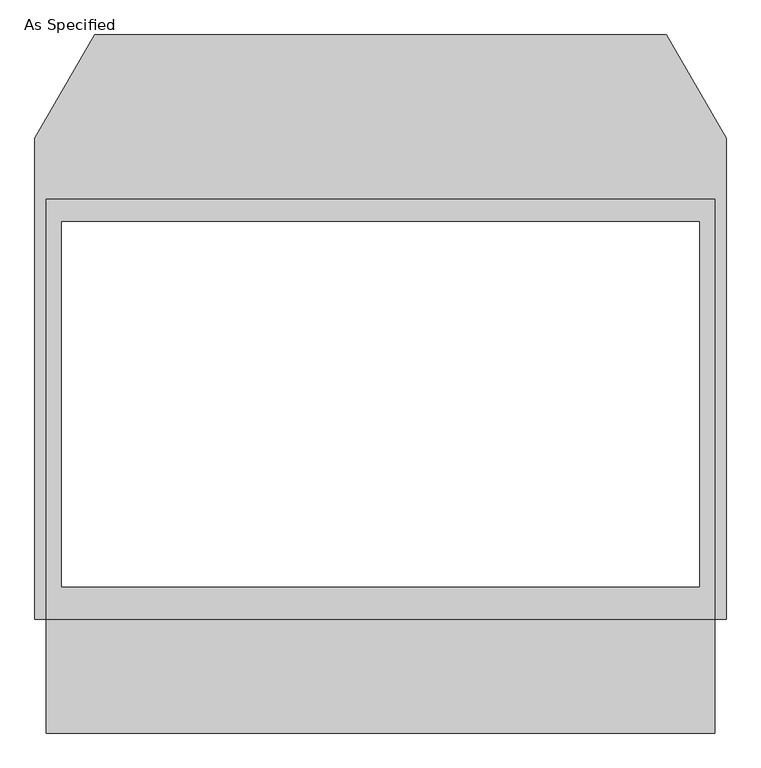
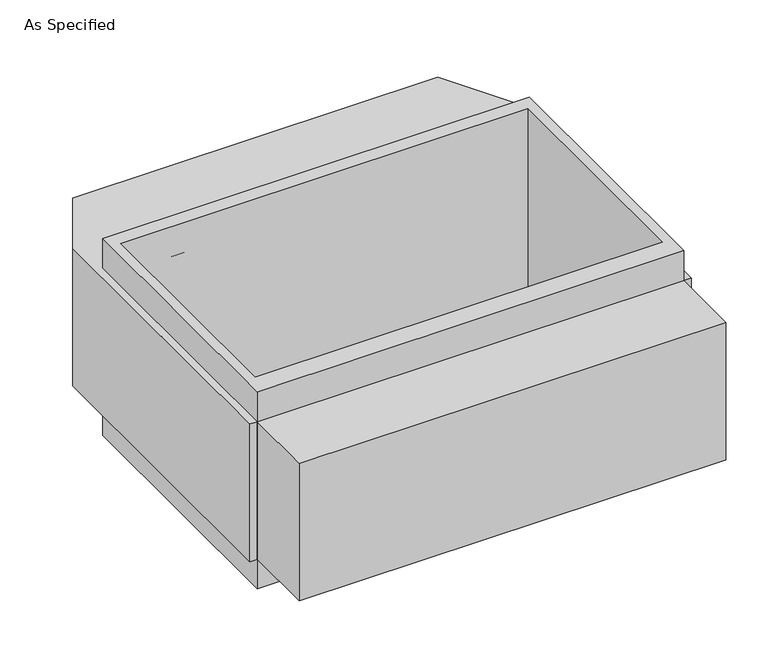
"""IFC4 building model written with IfcOpenShell, lengths in millimetres: proxy geometry, As Specified."""

from ifc_helpers import new_model, si_unit, frame, origin, place, context, project, spatial, polyline, outline, extrude, source, transform, mapped, element, save


def as_specified_9fdf9aed(model_context):
    return source(origin(), model_context, "Body", "SweptSolid", [
        extrude(outline(polyline([(1117.6, 617.8351562), (1117.6, -785.5148438), (-1117.6, -785.5148438), (-1117.6, 617.8351562), (1117.6, 617.8351562)]), holes=[polyline([(-1066.8, 541.6748437), (-1066.8, -677.5251563), (1066.8, -677.5251563), (1066.8, 541.6748437), (-1066.8, 541.6748437)])]), frame((0.0, 0.0, -952.5), z_axis=(0.0, 0.0, 1.0), x_axis=(1.0, 0.0, 0.0)), (0.0, 0.0, 1.0), 1092.2),
        extrude(outline(polyline([(1117.6, -1166.5148438), (-1117.6, -1166.5148438), (-1117.6, -785.5148438), (-1155.7, -785.5148438), (-1155.7, 821.0748437), (-956.260123, 1166.5148437), (956.260123, 1166.5148437), (1155.7, 821.0748437), (1155.7, -785.5148438), (1117.6, -785.5148438), (1117.6, -1166.5148438)]), holes=[polyline([(1066.8, -677.5251563), (1066.8, 541.6748437), (-1066.8, 541.6748437), (-1066.8, -677.5251563), (1066.8, -677.5251563)])]), frame((0.0, 0.0, -787.4), z_axis=(0.0, 0.0, 1.0), x_axis=(1.0, 0.0, 0.0)), (0.0, 0.0, 1.0), 762.0),
    ])


if __name__ == "__main__":
    model = new_model("IFC4")
    model_context = context("Model", 3, world=origin())
    ifc_project = project(units=[si_unit("LENGTHUNIT", "METRE", prefix="MILLI")], contexts=[model_context])
    site = spatial("IfcSite", under=ifc_project)
    building = spatial("IfcBuilding", under=site)
    placement = place(None, origin())
    as_specified_shape = as_specified_9fdf9aed(model_context)
    element("IfcBuildingElementProxy", 1, Name="As Specified", ObjectType="As Specified", at=placement, inside=building, context=model_context, shape_type="MappedRepresentation", body=[
        mapped(as_specified_shape, transform((0.0, 0.0, 0.0), x_axis=(1.0, 0.0, 0.0), y_axis=(0.0, 1.0, 0.0), z_axis=(0.0, 0.0, 1.0))),
    ])
    save(model, "model.ifc")
